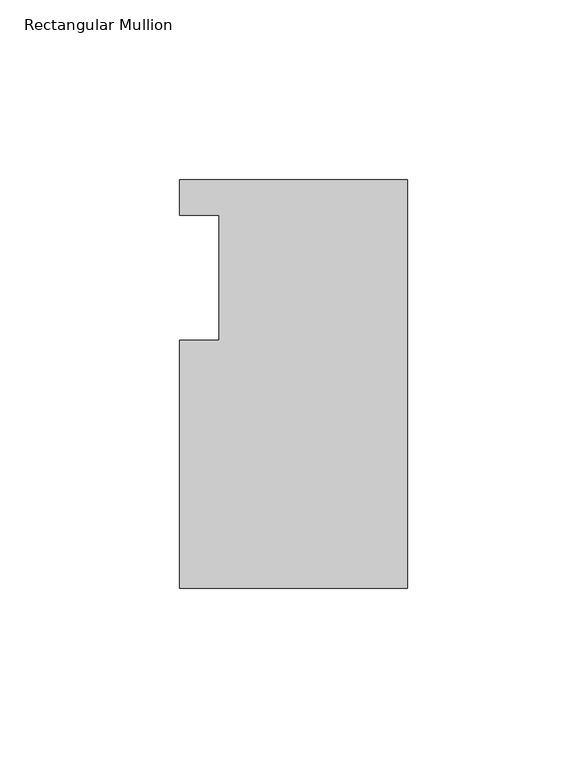
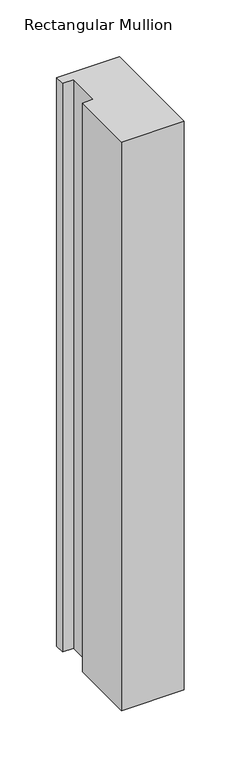
"""IFC4 building model written with IfcOpenShell, lengths in millimetres: member geometry, Rectangular Mullion."""

from ifc_helpers import new_model, si_unit, frame, origin, place, context, project, spatial, polyline, outline, extrude, source, transform, mapped, element, save


def rectangular_mullion_aec17a97(model_context):
    return source(origin(), model_context, "Body", "SweptSolid", [
        extrude(outline(polyline([(-63.5, 113.8189875), (0.0, 113.8189875), (0.0, 0.0269875), (-63.5, 0.0269875), (-63.5, 68.9879875), (-52.3875, 68.9879875), (-52.3875, 103.9129875), (-63.5, 103.9129875), (-63.5, 113.8189875)])), frame((0.0, 0.0, -609.6), z_axis=(0.0, 0.0, 1.0), x_axis=(1.0, 0.0, 0.0)), (0.0, 0.0, 1.0), 609.6),
    ])


if __name__ == "__main__":
    model = new_model("IFC4")
    model_context = context("Model", 3, world=origin())
    ifc_project = project(units=[si_unit("LENGTHUNIT", "METRE", prefix="MILLI")], contexts=[model_context])
    site = spatial("IfcSite", under=ifc_project)
    building = spatial("IfcBuilding", under=site)
    placement = place(None, origin())
    rectangular_mullion_shape = rectangular_mullion_aec17a97(model_context)
    element("IfcMember", 1, ObjectType="Rectangular Mullion", at=placement, inside=building, context=model_context, shape_type="MappedRepresentation", body=[
        mapped(rectangular_mullion_shape, transform((0.0, 0.0, 0.0), x_axis=(1.0, 0.0, 0.0), y_axis=(0.0, 1.0, 0.0), z_axis=(0.0, 0.0, 1.0))),
    ])
    save(model, "model.ifc")
